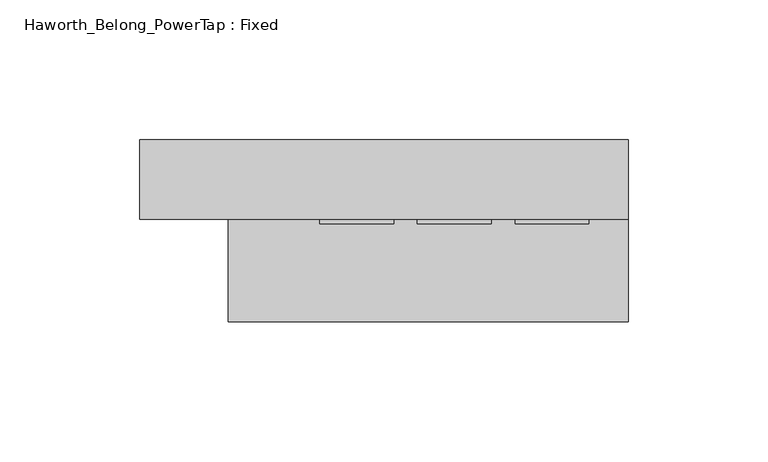
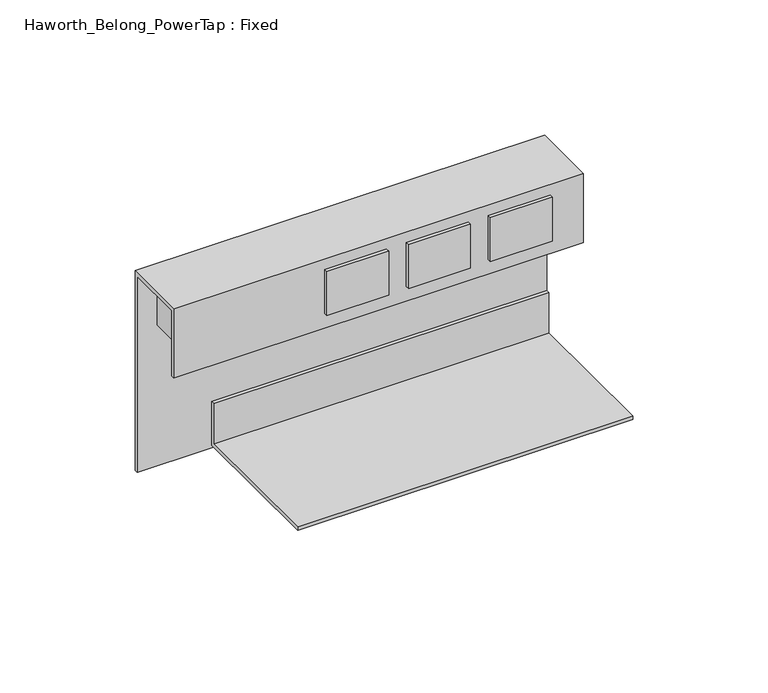
"""IFC4 building model written with IfcOpenShell, lengths in millimetres: furniture geometry, Haworth_Belong_PowerTap : Fixed."""

from ifc_helpers import new_model, si_unit, frame, origin, place, context, project, spatial, polyline, outline, extrude, source, transform, mapped, element, save


def haworth_belong_powertap_fixed_b048abb5(model_context):
    return source(origin(), model_context, "Body", "SweptSolid", [
        extrude(outline(polyline([(243.2966011, -4.0266021), (243.2966011, -25.4), (84.8272049, -25.4), (84.8272049, -4.0266021), (243.2966011, -4.0266021)])), frame((0.0, 0.0, 789.78125), z_axis=(0.0, 0.0, 1.0), x_axis=(1.0, 0.0, 0.0)), (0.0, 0.0, 1.0), 19.84375),
        extrude(outline(polyline([(168.5163029, -30.026522), (142.1003032, -30.026522), (142.1003032, -28.4734), (168.5163029, -28.4734), (168.5163029, -30.026522)])), frame((0.0, 0.0, 789.78125), z_axis=(0.0, 0.0, 1.0), x_axis=(1.0, 0.0, 0.0)), (0.0, 0.0, 1.0), 19.84375),
        extrude(outline(polyline([(203.4413037, -30.026522), (177.0253028, -30.026522), (177.0253028, -28.4734), (203.4413037, -28.4734), (203.4413037, -30.026522)])), frame((0.0, 0.0, 789.78125), z_axis=(0.0, 0.0, 1.0), x_axis=(1.0, 0.0, 0.0)), (0.0, 0.0, 1.0), 19.84375),
        extrude(outline(polyline([(238.3663022, -30.026522), (211.9503047, -30.026522), (211.9503047, -28.4734), (238.3663022, -28.4734), (238.3663022, -30.026522)])), frame((0.0, 0.0, 789.78125), z_axis=(0.0, 0.0, 1.0), x_axis=(1.0, 0.0, 0.0)), (0.0, 0.0, 1.0), 19.84375),
        extrude(outline(polyline([(-1.5875, 725.4875), (-65.0875, 725.4875), (-65.0875, 727.075), (-3.175, 727.075), (-3.175, 745.33125), (-1.5875, 745.33125), (-1.5875, 725.4875)])), frame((109.4104971, 0.0, 0.0), z_axis=(1.0, 0.0, 0.0), x_axis=(0.0, 1.0, 0.0)), (0.0, 0.0, 1.0), 143.0020029),
        extrude(outline(polyline([(-28.4734, 814.3875), (0.0, 814.3875), (0.0, 724.3165602), (-1.5875, 724.3165602), (-1.5875, 812.8), (-26.8859, 812.8), (-26.8859, 783.2445608), (-28.4734, 783.2445608), (-28.4734, 814.3875)])), frame((77.7875, 0.0, 0.0), z_axis=(1.0, 0.0, 0.0), x_axis=(0.0, 1.0, 0.0)), (0.0, 0.0, 1.0), 174.625),
    ])


if __name__ == "__main__":
    model = new_model("IFC4")
    model_context = context("Model", 3, world=origin())
    ifc_project = project(units=[si_unit("LENGTHUNIT", "METRE", prefix="MILLI")], contexts=[model_context])
    site = spatial("IfcSite", under=ifc_project)
    building = spatial("IfcBuilding", under=site)
    placement = place(None, origin())
    haworth_belong_powertap_fixed_shape = haworth_belong_powertap_fixed_b048abb5(model_context)
    element("IfcFurniture", 1, ObjectType="Haworth_Belong_PowerTap : Fixed", at=placement, inside=building, context=model_context, shape_type="MappedRepresentation", body=[
        mapped(haworth_belong_powertap_fixed_shape, transform((0.0, 0.0, 0.0), x_axis=(1.0, 0.0, 0.0), y_axis=(0.0, 1.0, 0.0), z_axis=(0.0, 0.0, 1.0))),
    ])
    save(model, "model.ifc")
